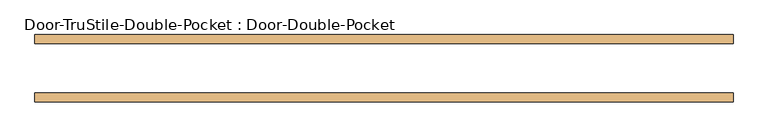
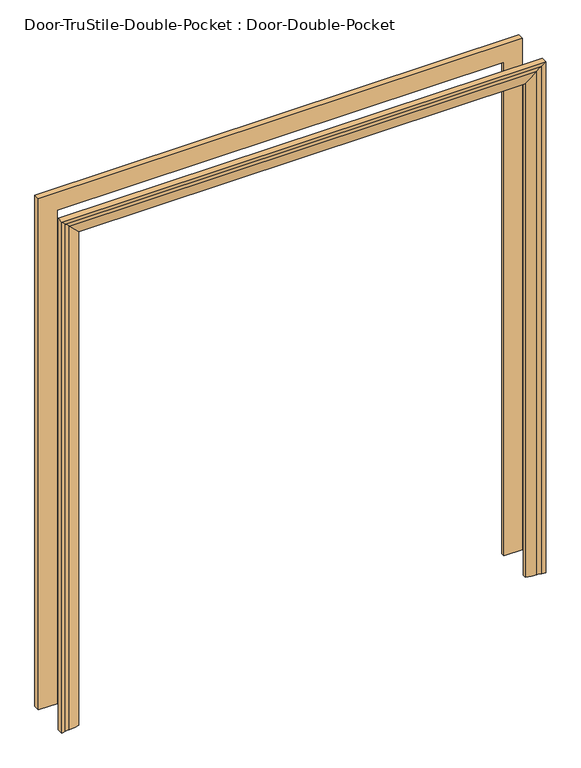
"""IFC4 building model written with IfcOpenShell, lengths in millimetres: door geometry, Door-TruStile-Double-Pocket : Door-Double-Pocket."""

from ifc_helpers import new_model, si_unit, frame, origin, place, context, project, spatial, polyline, circle_curve, ellipse_curve, source, transform, mapped, element, save
from ifc_brep_helpers import plane_surface, cylinder_surface, revolved_surface, advanced_brep


def door_trustile_double_pocket_door_double_pocket_79f9b166(model_context):
    return source(origin(), model_context, "Body", "AdvancedBrep", [
        advanced_brep(
        [(-990.6, -69.85, 0.0), (-914.4, -69.85, 0.0), (-914.4, -82.55, 0.0), (-957.6091669, -89.656654, 0.0), (-975.1106804, -92.7334981, 0.0), (-990.6, -95.25, 0.0), (-990.6, -69.85, 2209.8), (990.6, -69.85, 2209.8), (990.6, -69.85, 0.0), (914.4, -69.85, 0.0), (914.4, -69.85, 2133.6), (-914.4, -69.85, 2133.6), (-914.4, -82.55, 2133.6), (-957.6091669, -89.656654, 2176.8091669), (-975.1106804, -92.7334981, 2194.3106804), (-990.6, -95.25, 2209.8), (990.6, -95.25, 2209.8), (990.6, -95.25, 0.0), (975.1106804, -92.7334981, 0.0), (957.6091669, -89.656654, 0.0), (914.4, -82.55, 0.0), (914.4, -82.55, 2133.6), (975.1106804, -92.7334981, 2194.3106804), (957.6091669, -89.656654, 2176.8091669)],
        [
            (0, 1),
            (1, 2),
            (2, 3, circle_curve(frame((-957.8371432, 46.6408202, 0.0), z_axis=(0.0, 0.0, -1.0), x_axis=(-1.0, 0.0, 0.0)), 136.2976648)),
            (3, 4, circle_curve(frame((-957.5225129, -141.4634863, 0.0), z_axis=(0.0, 0.0, 1.0), x_axis=(-1.0, 0.0, 0.0)), 51.8069048)),
            (4, 5, circle_curve(frame((-989.5670501, -52.6805064, 0.0), z_axis=(0.0, 0.0, -1.0), x_axis=(-1.0, 0.0, 0.0)), 42.582024)),
            (5, 0),
            (0, 6),
            (6, 7),
            (7, 8),
            (8, 9),
            (9, 10),
            (10, 11),
            (11, 1),
            (11, 12),
            (12, 2),
            (12, 13, ellipse_curve(frame((-957.8371432, 46.6408202, 2177.0371432), z_axis=(-0.707106781186552, 0.0, -0.707106781186543), x_axis=(0.7071067811865429, 0.0, -0.707106781186552)), 192.7540061, 136.2976648)),
            (13, 3),
            (13, 14, ellipse_curve(frame((-957.5225129, -141.4634863, 2176.7225129), z_axis=(0.707106781186552, 0.0, 0.707106781186543), x_axis=(-0.7071067811865429, 0.0, 0.707106781186552)), 73.2660273, 51.8069048)),
            (14, 4),
            (14, 15, ellipse_curve(frame((-989.5670501, -52.6805064, 2208.7670501), z_axis=(-0.707106781186552, 0.0, -0.707106781186543), x_axis=(0.7071067811865429, 0.0, -0.707106781186552)), 60.2200758, 42.582024)),
            (15, 5),
            (15, 6),
            (7, 16),
            (16, 17),
            (17, 8),
            (17, 18, circle_curve(frame((989.5670501, -52.6805064, 0.0), z_axis=(0.0, 0.0, -1.0), x_axis=(1.0, 0.0, 0.0)), 42.582024)),
            (18, 19, circle_curve(frame((957.5225129, -141.4634863, 0.0), z_axis=(0.0, 0.0, 1.0), x_axis=(1.0, 0.0, 0.0)), 51.8069048)),
            (19, 20, circle_curve(frame((957.8371432, 46.6408202, 0.0), z_axis=(0.0, 0.0, -1.0), x_axis=(1.0, 0.0, 0.0)), 136.2976648)),
            (20, 9),
            (21, 10),
            (20, 21),
            (16, 22, ellipse_curve(frame((989.5670501, -52.6805064, 2208.7670501), z_axis=(0.707106781186543, 0.0, -0.707106781186552), x_axis=(0.707106781186552, 0.0, 0.7071067811865429)), 60.2200758, 42.582024)),
            (22, 18),
            (22, 23, ellipse_curve(frame((957.5225129, -141.4634863, 2176.7225129), z_axis=(-0.707106781186543, 0.0, 0.707106781186552), x_axis=(-0.707106781186552, 0.0, -0.7071067811865429)), 73.2660273, 51.8069048)),
            (23, 19),
            (23, 21, ellipse_curve(frame((957.8371432, 46.6408202, 2177.0371432), z_axis=(0.707106781186543, 0.0, -0.707106781186552), x_axis=(0.707106781186552, 0.0, 0.7071067811865429)), 192.7540061, 136.2976648)),
            (15, 16),
            (14, 22),
            (13, 23),
            (12, 21),
        ],
        [
            plane_surface(frame((-914.4, -69.85, 0.0), z_axis=(0.0, 0.0, -1.0), x_axis=(0.0, 1.0, 0.0))),
            plane_surface(frame((-990.6, -69.85, 0.0), z_axis=(0.0, 1.0, 0.0), x_axis=(0.0, 0.0, 1.0))),
            plane_surface(frame((-914.4, -69.85, 0.0), z_axis=(1.0, 0.0, 0.0), x_axis=(0.0, 0.0, 1.0))),
            cylinder_surface(frame((-957.8371432, 46.6408202, 0.0), z_axis=(0.0, 0.0, -1.0), x_axis=(-1.0, 0.0, 0.0)), 136.2976648),
            revolved_surface(polyline([(-1009.3294177, -141.4634863, 2228.5294176344287), (-1009.3294177, -141.4634863, 0.0)]), (-957.5225129, -141.4634863, 0.0), (0.0, 0.0, 1.0)),
            cylinder_surface(frame((-989.5670501, -52.6805064, 0.0), z_axis=(0.0, 0.0, -1.0), x_axis=(-1.0, 0.0, 0.0)), 42.582024),
            plane_surface(frame((-990.6, -95.25, 0.0), z_axis=(-1.0, 0.0, 0.0), x_axis=(0.0, 0.0, 1.0))),
            plane_surface(frame((990.6, -95.25, 2209.8), z_axis=(1.0, 0.0, 0.0), x_axis=(0.0, 0.0, -1.0))),
            plane_surface(frame((914.4, -69.85, 0.0), z_axis=(0.0, 0.0, -1.0), x_axis=(0.0, 1.0, 0.0))),
            plane_surface(frame((914.4, -69.85, 2133.6), z_axis=(-1.0, 0.0, 0.0), x_axis=(0.0, 0.0, -1.0))),
            cylinder_surface(frame((989.5670501, -52.6805064, 2133.6), z_axis=(0.0, 0.0, 1.0), x_axis=(1.0, 0.0, 0.0)), 42.582024),
            revolved_surface(polyline([(1009.3294177, -141.4634863, 0.0), (1009.3294177, -141.4634863, 2228.5294176344282)]), (957.5225129, -141.4634863, 2133.6), (0.0, 0.0, -1.0)),
            cylinder_surface(frame((957.8371432, 46.6408202, 2133.6), z_axis=(0.0, 0.0, 1.0), x_axis=(1.0, 0.0, 0.0)), 136.2976648),
            plane_surface(frame((-990.6, -95.25, 2209.8), z_axis=(0.0, 0.0, 1.0), x_axis=(1.0, 0.0, 0.0))),
            cylinder_surface(frame((-914.4, -52.6805064, 2208.7670501), z_axis=(-1.0, 0.0, 0.0), x_axis=(0.0, 0.0, 1.0)), 42.582024),
            revolved_surface(polyline([(1009.3294176344292, -141.4634863, 2228.5294177), (-1009.3294176344284, -141.4634863, 2228.5294177)]), (-914.4, -141.4634863, 2176.7225129), (1.0, 0.0, 0.0)),
            cylinder_surface(frame((-914.4, 46.6408202, 2177.0371432), z_axis=(-1.0, 0.0, 0.0), x_axis=(0.0, 0.0, 1.0)), 136.2976648),
            plane_surface(frame((-914.4, -69.85, 2133.6), z_axis=(0.0, 0.0, -1.0), x_axis=(1.0, 0.0, 0.0))),
        ],
        [
            (0, [[1, 2, 3, 4, 5, 6]]),
            (1, [[-1, 7, 8, 9, 10, 11, 12, 13]]),
            (2, [[-2, -13, 14, 15]]),
            (3, [[-3, -15, 16, 17]]),
            (4, [[-4, -17, 18, 19]]),
            (5, [[-5, -19, 20, 21]]),
            (6, [[-6, -21, 22, -7]]),
            (7, [[23, 24, 25, -9]]),
            (8, [[-25, 26, 27, 28, 29, -10]]),
            (9, [[30, -11, -29, 31]]),
            (10, [[32, 33, -26, -24]]),
            (11, [[34, 35, -27, -33]]),
            (12, [[36, -31, -28, -35]]),
            (13, [[-22, 37, -23, -8]]),
            (14, [[-20, 38, -32, -37]]),
            (15, [[-18, 39, -34, -38]]),
            (16, [[-16, 40, -36, -39]]),
            (17, [[-14, -12, -30, -40]]),
        ],
    ),
        advanced_brep(
        [(-990.6, 69.85, 0.0), (-990.6, 95.25, 0.0), (-975.1106804, 92.7334981, 0.0), (-957.6091669, 89.656654, 0.0), (-914.4, 82.55, 0.0), (-914.4, 69.85, 0.0), (-990.6, 69.85, 2209.8), (-990.6, 95.25, 2209.8), (-975.1106804, 92.7334981, 2194.3106804), (-957.6091669, 89.656654, 2176.8091669), (-914.4, 82.55, 2133.6), (-914.4, 69.85, 2133.6), (914.4, 69.85, 2133.6), (914.4, 69.85, 0.0), (990.6, 69.85, 0.0), (990.6, 69.85, 2209.8), (914.4, 82.55, 2133.6), (914.4, 82.55, 0.0), (957.6091669, 89.656654, 0.0), (975.1106804, 92.7334981, 0.0), (990.6, 95.25, 0.0), (990.6, 95.25, 2209.8), (957.6091669, 89.656654, 2176.8091669), (975.1106804, 92.7334981, 2194.3106804)],
        [
            (0, 1),
            (1, 2, circle_curve(frame((-989.5670501, 52.6805064, 0.0), z_axis=(0.0, 0.0, -1.0), x_axis=(-1.0, 0.0, 0.0)), 42.582024)),
            (2, 3, circle_curve(frame((-957.5225129, 141.4634863, 0.0), z_axis=(0.0, 0.0, 1.0), x_axis=(-1.0, 0.0, 0.0)), 51.8069048)),
            (3, 4, circle_curve(frame((-957.8371432, -46.6408202, 0.0), z_axis=(0.0, 0.0, -1.0), x_axis=(-1.0, 0.0, 0.0)), 136.2976648)),
            (4, 5),
            (5, 0),
            (0, 6),
            (6, 7),
            (7, 1),
            (7, 8, ellipse_curve(frame((-989.5670501, 52.6805064, 2208.7670501), z_axis=(-0.707106781186543, 0.0, -0.707106781186552), x_axis=(0.707106781186552, 0.0, -0.7071067811865429)), 60.2200758, 42.582024)),
            (8, 2),
            (8, 9, ellipse_curve(frame((-957.5225129, 141.4634863, 2176.7225129), z_axis=(0.707106781186543, 0.0, 0.707106781186552), x_axis=(-0.707106781186552, 0.0, 0.7071067811865429)), 73.2660273, 51.8069048)),
            (9, 3),
            (9, 10, ellipse_curve(frame((-957.8371432, -46.6408202, 2177.0371432), z_axis=(-0.707106781186543, 0.0, -0.707106781186552), x_axis=(0.707106781186552, 0.0, -0.7071067811865429)), 192.7540061, 136.2976648)),
            (10, 4),
            (10, 11),
            (11, 5),
            (11, 12),
            (12, 13),
            (13, 14),
            (14, 15),
            (15, 6),
            (12, 16),
            (16, 17),
            (17, 13),
            (17, 18, circle_curve(frame((957.8371432, -46.6408202, 0.0), z_axis=(0.0, 0.0, -1.0), x_axis=(1.0, 0.0, 0.0)), 136.2976648)),
            (18, 19, circle_curve(frame((957.5225129, 141.4634863, 0.0), z_axis=(0.0, 0.0, 1.0), x_axis=(1.0, 0.0, 0.0)), 51.8069048)),
            (19, 20, circle_curve(frame((989.5670501, 52.6805064, 0.0), z_axis=(0.0, 0.0, -1.0), x_axis=(1.0, 0.0, 0.0)), 42.582024)),
            (20, 14),
            (21, 15),
            (20, 21),
            (16, 22, ellipse_curve(frame((957.8371432, -46.6408202, 2177.0371432), z_axis=(0.707106781186552, 0.0, -0.707106781186543), x_axis=(0.7071067811865429, 0.0, 0.707106781186552)), 192.7540061, 136.2976648)),
            (22, 18),
            (22, 23, ellipse_curve(frame((957.5225129, 141.4634863, 2176.7225129), z_axis=(-0.707106781186552, 0.0, 0.707106781186543), x_axis=(-0.7071067811865429, 0.0, -0.707106781186552)), 73.2660273, 51.8069048)),
            (23, 19),
            (23, 21, ellipse_curve(frame((989.5670501, 52.6805064, 2208.7670501), z_axis=(0.707106781186552, 0.0, -0.707106781186543), x_axis=(0.7071067811865429, 0.0, 0.707106781186552)), 60.2200758, 42.582024)),
            (21, 7),
            (23, 8),
            (22, 9),
            (16, 10),
        ],
        [
            plane_surface(frame((-914.4, 69.85, 0.0), z_axis=(0.0, 0.0, -1.0), x_axis=(0.0, 1.0, 0.0))),
            plane_surface(frame((-990.6, 69.85, 0.0), z_axis=(-1.0, 0.0, 0.0), x_axis=(0.0, 0.0, 1.0))),
            cylinder_surface(frame((-989.5670501, 52.6805064, 0.0), z_axis=(0.0, 0.0, -1.0), x_axis=(-1.0, 0.0, 0.0)), 42.582024),
            revolved_surface(polyline([(-1009.3294177, 141.4634863, 2228.5294176344282), (-1009.3294177, 141.4634863, 0.0)]), (-957.5225129, 141.4634863, 0.0), (0.0, 0.0, 1.0)),
            cylinder_surface(frame((-957.8371432, -46.6408202, 0.0), z_axis=(0.0, 0.0, -1.0), x_axis=(-1.0, 0.0, 0.0)), 136.2976648),
            plane_surface(frame((-914.4, 82.55, 0.0), z_axis=(1.0, 0.0, 0.0), x_axis=(0.0, 0.0, 1.0))),
            plane_surface(frame((-914.4, 69.85, 0.0), z_axis=(0.0, -1.0, 0.0), x_axis=(0.0, 0.0, 1.0))),
            plane_surface(frame((914.4, 82.55, 2133.6), z_axis=(-1.0, 0.0, 0.0), x_axis=(0.0, 0.0, -1.0))),
            plane_surface(frame((914.4, 69.85, 0.0), z_axis=(0.0, 0.0, -1.0), x_axis=(0.0, 1.0, 0.0))),
            plane_surface(frame((990.6, 69.85, 2209.8), z_axis=(1.0, 0.0, 0.0), x_axis=(0.0, 0.0, -1.0))),
            cylinder_surface(frame((957.8371432, -46.6408202, 2133.6), z_axis=(0.0, 0.0, 1.0), x_axis=(1.0, 0.0, 0.0)), 136.2976648),
            revolved_surface(polyline([(1009.3294177, 141.4634863, 0.0), (1009.3294177, 141.4634863, 2228.5294176344287)]), (957.5225129, 141.4634863, 2133.6), (0.0, 0.0, -1.0)),
            cylinder_surface(frame((989.5670501, 52.6805064, 2133.6), z_axis=(0.0, 0.0, 1.0), x_axis=(1.0, 0.0, 0.0)), 42.582024),
            plane_surface(frame((-990.6, 69.85, 2209.8), z_axis=(0.0, 0.0, 1.0), x_axis=(1.0, 0.0, 0.0))),
            cylinder_surface(frame((-914.4, 52.6805064, 2208.7670501), z_axis=(-1.0, 0.0, 0.0), x_axis=(0.0, 0.0, 1.0)), 42.582024),
            revolved_surface(polyline([(1009.3294176344285, 141.4634863, 2228.5294177), (-1009.3294176344291, 141.4634863, 2228.5294177)]), (-914.4, 141.4634863, 2176.7225129), (1.0, 0.0, 0.0)),
            cylinder_surface(frame((-914.4, -46.6408202, 2177.0371432), z_axis=(-1.0, 0.0, 0.0), x_axis=(0.0, 0.0, 1.0)), 136.2976648),
            plane_surface(frame((-914.4, 82.55, 2133.6), z_axis=(0.0, 0.0, -1.0), x_axis=(1.0, 0.0, 0.0))),
        ],
        [
            (0, [[1, 2, 3, 4, 5, 6]]),
            (1, [[-1, 7, 8, 9]]),
            (2, [[-2, -9, 10, 11]]),
            (3, [[-3, -11, 12, 13]]),
            (4, [[-4, -13, 14, 15]]),
            (5, [[-5, -15, 16, 17]]),
            (6, [[-6, -17, 18, 19, 20, 21, 22, -7]]),
            (7, [[23, 24, 25, -19]]),
            (8, [[-20, -25, 26, 27, 28, 29]]),
            (9, [[30, -21, -29, 31]]),
            (10, [[32, 33, -26, -24]]),
            (11, [[34, 35, -27, -33]]),
            (12, [[36, -31, -28, -35]]),
            (13, [[-8, -22, -30, 37]]),
            (14, [[-10, -37, -36, 38]]),
            (15, [[-12, -38, -34, 39]]),
            (16, [[-14, -39, -32, 40]]),
            (17, [[-16, -40, -23, -18]]),
        ],
    ),
    ])


if __name__ == "__main__":
    model = new_model("IFC4")
    model_context = context("Model", 3, world=origin())
    ifc_project = project(units=[si_unit("LENGTHUNIT", "METRE", prefix="MILLI")], contexts=[model_context])
    site = spatial("IfcSite", under=ifc_project)
    building = spatial("IfcBuilding", under=site)
    placement = place(None, origin())
    door_trustile_double_pocket_door_double_pocket_shape = door_trustile_double_pocket_door_double_pocket_79f9b166(model_context)
    element("IfcDoor", 1, ObjectType="Door-TruStile-Double-Pocket : Door-Double-Pocket", at=placement, inside=building, context=model_context, shape_type="MappedRepresentation", body=[
        mapped(door_trustile_double_pocket_door_double_pocket_shape, transform((0.0, 0.0, 0.0), x_axis=(1.0, 0.0, 0.0), y_axis=(0.0, 1.0, 0.0), z_axis=(0.0, 0.0, 1.0))),
    ])
    save(model, "model.ifc")
